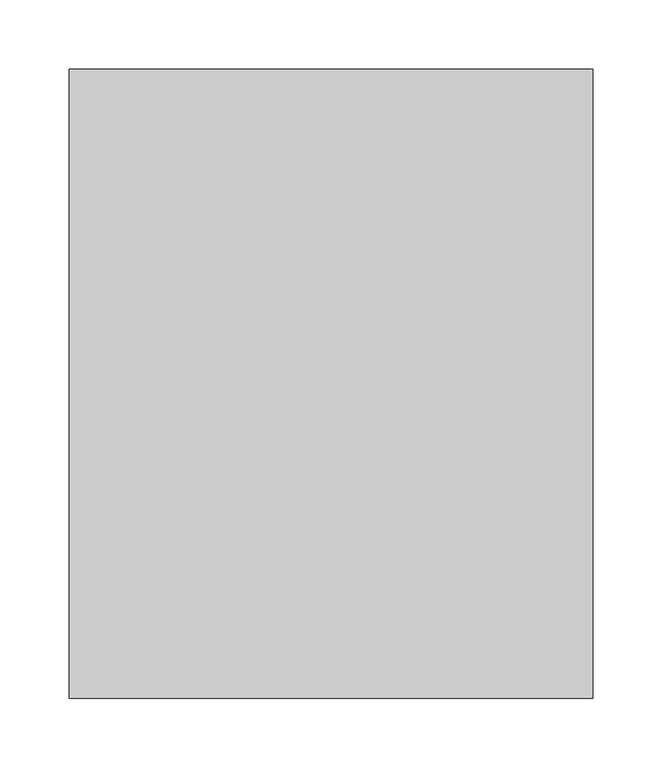
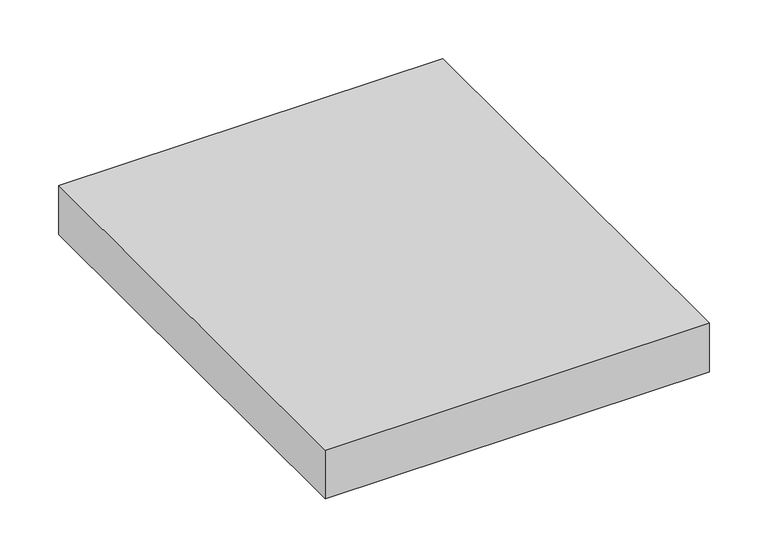
"""IFC4 building model written with IfcOpenShell, lengths in millimetres: furniture geometry."""

from ifc_helpers import new_model, si_unit, frame, origin, place, context, project, spatial, polyline, outline, extrude, source, transform, mapped, element, save


def furniture_6a8e8ecd(model_context):
    return source(origin(), model_context, "Body", "SweptSolid", [
        extrude(outline(polyline([(377.825, 454.025), (377.825, 0.0), (0.0, 0.0), (0.0, 454.025), (377.825, 454.025)])), frame((0.0, 0.0, 536.575), z_axis=(0.0, 0.0, 1.0), x_axis=(1.0, 0.0, 0.0)), (0.0, 0.0, 1.0), 50.8),
    ])


if __name__ == "__main__":
    model = new_model("IFC4")
    model_context = context("Model", 3, world=origin())
    ifc_project = project(units=[si_unit("LENGTHUNIT", "METRE", prefix="MILLI")], contexts=[model_context])
    site = spatial("IfcSite", under=ifc_project)
    building = spatial("IfcBuilding", under=site)
    placement = place(None, origin())
    furniture_shape = furniture_6a8e8ecd(model_context)
    element("IfcFurniture", 1, at=placement, inside=building, context=model_context, shape_type="MappedRepresentation", body=[
        mapped(furniture_shape, transform((0.0, 0.0, 0.0), x_axis=(1.0, 0.0, 0.0), y_axis=(0.0, 1.0, 0.0), z_axis=(0.0, 0.0, 1.0))),
    ])
    save(model, "model.ifc")
